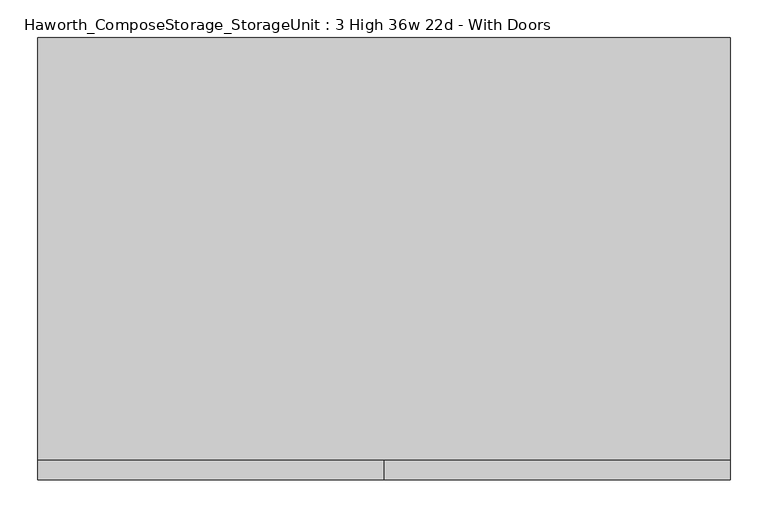
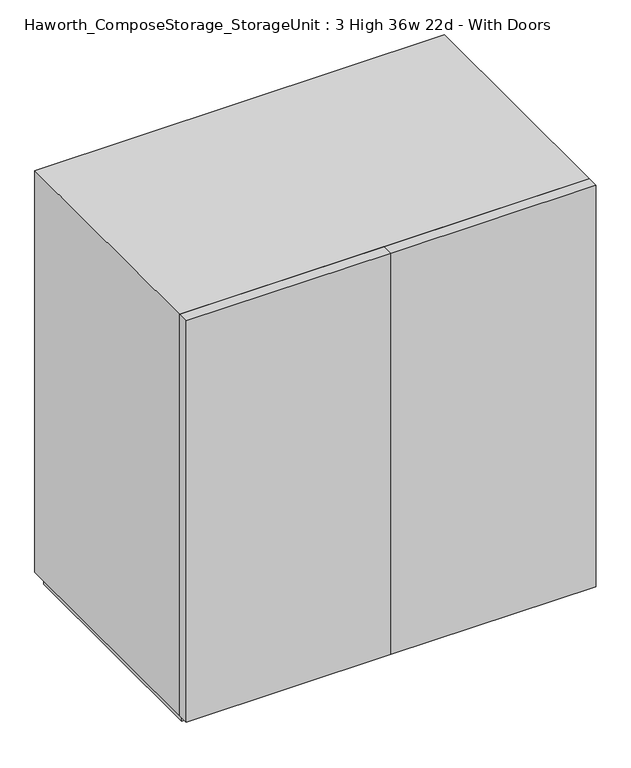
"""IFC4 building model written with IfcOpenShell, lengths in millimetres: furniture geometry, Haworth_ComposeStorage_StorageUnit : 3 High 36w 22d - With Doors."""

from ifc_helpers import new_model, si_unit, frame, origin, origin_with_axes, place, context, project, spatial, polyline, outline, extrude, source, transform, mapped, element, save


def haworth_composestorage_storageunit_3_high_36w_22d_with_doors_f7676679(model_context):
    return source(origin(), model_context, "Body", "SweptSolid", [
        extrude(outline(polyline([(438.1569453, 295.275), (438.1569453, -228.6), (-438.1291641, -228.6), (-438.1291641, 295.275), (438.1569453, 295.275)])), frame((0.0, 0.0, 652.9916667), z_axis=(0.0, 0.0, 1.0), x_axis=(1.0, 0.0, 0.0)), (0.0, 0.0, 1.0), 19.05),
        extrude(outline(polyline([(438.1569453, 295.275), (438.1569453, -228.6), (-438.1291641, -228.6), (-438.1291641, 295.275), (438.1569453, 295.275)])), frame((0.0, 0.0, 324.9083333), z_axis=(0.0, 0.0, 1.0), x_axis=(1.0, 0.0, 0.0)), (0.0, 0.0, 1.0), 19.05),
        extrude(outline(polyline([(0.0138906, -254.0), (0.0138906, -228.6), (457.2138906, -228.6), (457.2138906, -254.0), (0.0138906, -254.0)])), frame((0.0, 0.0, 25.4), z_axis=(0.0, 0.0, 1.0), x_axis=(1.0, 0.0, 0.0)), (0.0, 0.0, 1.0), 946.15),
        extrude(outline(polyline([(0.0138906, -254.0), (-457.1861094, -254.0), (-457.1861094, -228.6), (0.0138906, -228.6), (0.0138906, -254.0)])), frame((0.0, 0.0, 25.4), z_axis=(0.0, 0.0, 1.0), x_axis=(1.0, 0.0, 0.0)), (0.0, 0.0, 1.0), 946.15),
        extrude(outline(polyline([(25.4, -457.1861094), (25.4, 457.2138906), (971.55, 457.2138906), (971.55, -457.1861094), (25.4, -457.1861094)]), holes=[polyline([(44.45, -438.1361094), (952.5, -438.1361094), (952.5, 438.1569453), (44.45, 438.1569453), (44.45, -438.1361094)])]), frame((0.0, -228.6, 0.0), z_axis=(0.0, 1.0, 0.0), x_axis=(0.0, 0.0, 1.0)), (0.0, 0.0, 1.0), 558.8),
        extrude(outline(polyline([(-438.1291641, 295.275), (-438.1291641, 304.8), (438.1569453, 304.8), (438.1569453, 295.275), (-438.1291641, 295.275)])), frame((0.0, 0.0, 44.45), z_axis=(0.0, 0.0, 1.0), x_axis=(1.0, 0.0, 0.0)), (0.0, 0.0, 1.0), 908.05),
        extrude(outline(polyline([(444.5138906, -215.9), (-444.4861094, -215.9), (-444.4861094, 317.5), (444.5138906, 317.5), (444.5138906, -215.9)])), origin_with_axes(), (0.0, 0.0, 1.0), 25.4),
    ])


if __name__ == "__main__":
    model = new_model("IFC4")
    model_context = context("Model", 3, world=origin())
    ifc_project = project(units=[si_unit("LENGTHUNIT", "METRE", prefix="MILLI")], contexts=[model_context])
    site = spatial("IfcSite", under=ifc_project)
    building = spatial("IfcBuilding", under=site)
    placement = place(None, origin())
    haworth_composestorage_storageunit_3_high_36w_22d_with_doors_shape = haworth_composestorage_storageunit_3_high_36w_22d_with_doors_f7676679(model_context)
    element("IfcFurniture", 1, ObjectType="Haworth_ComposeStorage_StorageUnit : 3 High 36w 22d - With Doors", at=placement, inside=building, context=model_context, shape_type="MappedRepresentation", body=[
        mapped(haworth_composestorage_storageunit_3_high_36w_22d_with_doors_shape, transform((0.0, 0.0, 0.0), x_axis=(1.0, 0.0, 0.0), y_axis=(0.0, 1.0, 0.0), z_axis=(0.0, 0.0, 1.0))),
    ])
    save(model, "model.ifc")
